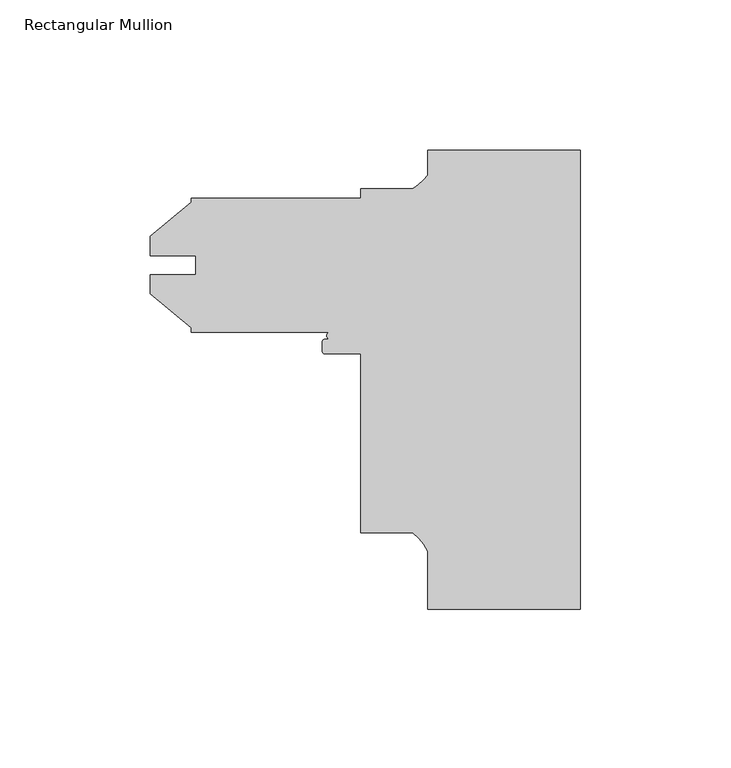
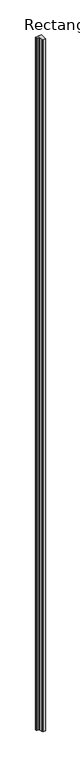
"""IFC4 building model written with IfcOpenShell, lengths in millimetres: member geometry, Rectangular Mullion."""

import ifcopenshell
import ifcopenshell.guid

model = None  # the IFC model being written
_history = None  # IfcOwnerHistory: only IFC2X3 demands one
_inside = {}  # id of a spatial element -> (the spatial element, [elements in it])
_under = {}  # id of a project, library or spatial element -> (it, [spatial elements below it])
_declared = {}  # id of a project -> (the project, [libraries it declares])
_typed = {}  # id of a type object -> (the type object, [elements of that type])
_made_of = {}  # id of a material, layer set ... -> (it, [elements and type objects made of it])


def new_model(schema):
    """Start an empty IFC model of exactly this schema.

    Asked for "IFC4X3", IfcOpenShell would pick the latest addendum, in which some entities
    have other attributes; the version numbers below select the first issue.
    IFC2X3 requires an IfcOwnerHistory on every rooted entity: one is made here for all.
    """
    global model, _history
    if schema == "IFC4X3":
        model = ifcopenshell.file(schema_version=(4, 3, 0, 0))
    else:
        model = ifcopenshell.file(schema=schema)
    _inside.clear()
    _under.clear()
    _declared.clear()
    _typed.clear()
    _made_of.clear()
    _history = None
    if model.schema == "IFC2X3":
        org = make("IfcOrganization", Name="unknown")
        user = make(
            "IfcPersonAndOrganization",
            ThePerson=make("IfcPerson", FamilyName="unknown"),
            TheOrganization=org,
        )
        app = make(
            "IfcApplication",
            ApplicationDeveloper=org,
            Version="unknown",
            ApplicationFullName="unknown",
            ApplicationIdentifier="unknown",
        )
        _history = make(
            "IfcOwnerHistory",
            OwningUser=user,
            OwningApplication=app,
            ChangeAction="ADDED",
            CreationDate=0,
        )
    return model


def make(cls, **values):
    """One entity of the class cls with the attributes given. An attribute that is None is left unset."""
    return model.create_entity(
        cls, **{name: value for name, value in values.items() if value is not None}
    )


def rooted(cls, **values):
    """An entity with a GlobalId (a new one), such as an element, a storey or a relation."""
    return make(cls, GlobalId=ifcopenshell.guid.new(), OwnerHistory=_history, **values)


def si_unit(unit_type, name, prefix=None):
    """IfcSIUnit, for example si_unit("LENGTHUNIT", "METRE", prefix="MILLI")."""
    return make("IfcSIUnit", UnitType=unit_type, Prefix=prefix, Name=name)


def assignment(units):
    """IfcUnitAssignment: the units of a project."""
    return None if units is None else make("IfcUnitAssignment", Units=units)


def point(xyz):
    """IfcCartesianPoint."""
    return None if xyz is None else make("IfcCartesianPoint", Coordinates=xyz)


def direction(xyz):
    """IfcDirection."""
    return None if xyz is None else make("IfcDirection", DirectionRatios=xyz)


def frame(location, z_axis=None, x_axis=None):
    """IfcAxis2Placement3D, a coordinate frame: its origin and axes. An axis left out is left unset."""
    return make(
        "IfcAxis2Placement3D",
        Location=point(location),
        Axis=direction(z_axis),
        RefDirection=direction(x_axis),
    )


def origin():
    """The frame at (0, 0, 0) with its axes left unset."""
    return frame((0.0, 0.0, 0.0))


def place(relative_to, where):
    """IfcLocalPlacement: puts the frame where relative to a parent placement (None: the world)."""
    return make(
        "IfcLocalPlacement", PlacementRelTo=relative_to, RelativePlacement=where
    )


def context(
    kind, dimensions, precision=None, world=None, true_north=None, identifier=None
):
    """IfcGeometricRepresentationContext, for example the 3D "Model" context."""
    return make(
        "IfcGeometricRepresentationContext",
        ContextIdentifier=identifier,
        ContextType=kind,
        CoordinateSpaceDimension=dimensions,
        Precision=precision,
        WorldCoordinateSystem=world,
        TrueNorth=true_north,
    )


def project(units=None, contexts=None):
    """IfcProject with its units and contexts."""
    return rooted(
        "IfcProject",
        Name="project",
        RepresentationContexts=contexts,
        UnitsInContext=assignment(units),
    )


def spatial(cls, under=None, at=None, **own):
    """A site, building, storey or space (cls), placed at a placement, below another one or the project."""
    s = rooted(cls, ObjectPlacement=at, **own)
    if under is not None:
        _under.setdefault(under.id(), (under, []))[1].append(s)
    return s


def polyline(points):
    """IfcPolyline through the points."""
    return make("IfcPolyline", Points=[point(p) for p in points])


def circle_curve(where, radius):
    """IfcCircle in the frame where."""
    return make("IfcCircle", Position=where, Radius=radius)


def shape(context_of_items, identifier, shape_type, items):
    """IfcShapeRepresentation: the items that make up one representation, for example the "Body"."""
    return make(
        "IfcShapeRepresentation",
        ContextOfItems=context_of_items,
        RepresentationIdentifier=identifier,
        RepresentationType=shape_type,
        Items=items,
    )


def source(mapping_origin, context_of_items, identifier, shape_type, items):
    """IfcRepresentationMap: a shape defined once, which mapped items show again and again."""
    return make(
        "IfcRepresentationMap",
        MappingOrigin=mapping_origin,
        MappedRepresentation=shape(context_of_items, identifier, shape_type, items),
    )


def transform(
    local_origin,
    x_axis=None,
    y_axis=None,
    z_axis=None,
    scale=None,
    scale2=None,
    scale3=None,
    uniform=True,
):
    """IfcCartesianTransformationOperator3D, or its non-uniform kind. x_axis, y_axis, z_axis: its Axis1, 2, 3."""
    if uniform:
        return make(
            "IfcCartesianTransformationOperator3D",
            Axis1=direction(x_axis),
            Axis2=direction(y_axis),
            LocalOrigin=point(local_origin),
            Scale=scale,
            Axis3=direction(z_axis),
        )
    return make(
        "IfcCartesianTransformationOperator3DnonUniform",
        Axis1=direction(x_axis),
        Axis2=direction(y_axis),
        LocalOrigin=point(local_origin),
        Scale=scale,
        Axis3=direction(z_axis),
        Scale2=scale2,
        Scale3=scale3,
    )


def mapped(mapping_source, mapping_target):
    """IfcMappedItem: shows the shape of a source again, moved by a transform."""
    return make(
        "IfcMappedItem", MappingSource=mapping_source, MappingTarget=mapping_target
    )


def made_of(thing, what):
    """Note that an element or type object is made of a material, layer set ...; save() writes the relation."""
    if what is not None:
        _made_of.setdefault(what.id(), (what, []))[1].append(thing)
    return thing


def element(
    cls,
    number,
    at=None,
    inside=None,
    cuts=None,
    type_object=None,
    material=None,
    context=None,
    identifier="Body",
    shape_type=None,
    held_by="IfcProductDefinitionShape",
    body=None,
    shapes=None,
    **own,
):
    """One element of the class cls, such as IfcWall. Its Tag is "e" and its number.

    at: its placement. inside: the storey or other place that contains it. cuts: it is an
    opening in that element (IfcRelVoidsElement). A single representation is given by context,
    identifier, shape_type and body (its items); several are given by shapes. held_by: the class
    of the entity that holds the representations. save() writes the other relations.
    """
    e = rooted(cls, Tag="e%d" % number, ObjectPlacement=at, **own)
    if body is not None:
        shapes = [shape(context, identifier, shape_type, body)]
    if shapes is not None:
        e.Representation = make(held_by, Representations=shapes)
    if inside is not None:
        _inside.setdefault(inside.id(), (inside, []))[1].append(e)
    if cuts is not None:
        rooted(
            "IfcRelVoidsElement", RelatingBuildingElement=cuts, RelatedOpeningElement=e
        )
    if type_object is not None:
        _typed.setdefault(type_object.id(), (type_object, []))[1].append(e)
    return made_of(e, material)


def aggregate(whole, parts):
    """IfcRelAggregates: a whole, such as a stair, and the parts it consists of."""
    return rooted("IfcRelAggregates", RelatingObject=whole, RelatedObjects=parts)


def save(model, path):
    """Write the relations noted so far, then the file.

    IfcRelAggregates (storeys below a building ...), IfcRelContainedInSpatialStructure (elements
    in a storey), IfcRelDefinesByType, IfcRelAssociatesMaterial and IfcRelDeclares: one each for
    every whole, place, type object, material and project.
    """
    for whole, parts in _under.values():
        aggregate(whole, parts)
    for where, things in _inside.values():
        rooted(
            "IfcRelContainedInSpatialStructure",
            RelatedElements=things,
            RelatingStructure=where,
        )
    for kind, things in _typed.values():
        rooted("IfcRelDefinesByType", RelatedObjects=things, RelatingType=kind)
    for what, things in _made_of.values():
        rooted("IfcRelAssociatesMaterial", RelatedObjects=things, RelatingMaterial=what)
    for by, libraries in _declared.values():
        rooted("IfcRelDeclares", RelatingContext=by, RelatedDefinitions=libraries)
    model.write(path)


def plane_surface(at):
    """IfcPlane: the flat surface through the origin of the frame at, square to its z axis."""
    return make("IfcPlane", Position=at)


def cylinder_surface(at, radius):
    """IfcCylindricalSurface: all points at the distance radius from the z axis of the frame at."""
    return make("IfcCylindricalSurface", Position=at, Radius=radius)


def revolved_surface(curve, axis_point, axis_direction):
    """IfcSurfaceOfRevolution: the curve turned about the line through axis_point along axis_direction."""
    return make(
        "IfcSurfaceOfRevolution",
        SweptCurve=make("IfcArbitraryOpenProfileDef", ProfileType="CURVE", Curve=curve),
        AxisPosition=make("IfcAxis1Placement", Location=point(axis_point), Axis=direction(axis_direction)),
    )


def advanced_brep(points, edges, surfaces, faces):
    """IfcAdvancedBrep: a solid bounded by faces that lie on surfaces and meet in shared edges.

    An edge is (start, end): straight between two places in points (the first is 0);
    or (start, end, curve); or (start, end, curve, False) where it runs against its curve.
    A face is (place in surfaces, loops), or (place, loops, False) where it looks against
    its surface's normal. A loop lists edges by number (the first is 1), with a minus sign
    where the edge is run from its end to its start. The first loop is the outer one.
    """
    corners = [point(p) for p in points]
    vertices = [make("IfcVertexPoint", VertexGeometry=c) for c in corners]
    made = []
    for start, end, *more in edges:
        made.append(
            make(
                "IfcEdgeCurve",
                EdgeStart=vertices[start],
                EdgeEnd=vertices[end],
                EdgeGeometry=more[0] if more else make("IfcPolyline", Points=[corners[start], corners[end]]),
                SameSense=more[1] if len(more) > 1 else True,
            )
        )
    hull = []
    for where, loops, *sense in faces:
        bounds = []
        for j, loop in enumerate(loops):
            ring = [make("IfcOrientedEdge", EdgeElement=made[abs(k) - 1], Orientation=k > 0) for k in loop]
            bounds.append(
                make(
                    "IfcFaceOuterBound" if j == 0 else "IfcFaceBound",
                    Bound=make("IfcEdgeLoop", EdgeList=ring),
                    Orientation=True,
                )
            )
        hull.append(make("IfcAdvancedFace", Bounds=bounds, FaceSurface=surfaces[where], SameSense=sense[0] if sense else True))
    return make("IfcAdvancedBrep", Outer=make("IfcClosedShell", CfsFaces=hull))


def rectangular_mullion_b2fc0ec5(model_context):
    return source(origin(), model_context, "Body", "AdvancedBrep", [
        advanced_brep(
        [(-50.8, -152.4, 0.0), (0.0, -152.4, 0.0), (0.0, 0.0, 0.0), (-50.8, 0.0, 0.0), (-50.8, -8.1515407, 0.0), (-55.7723352, -12.7, 0.0), (-73.0249898, -12.7, 0.0), (-73.0249898, -15.875, 0.0), (-129.3812398, -15.875, 0.0), (-129.3812398, -17.2691667, 0.0), (-142.8432398, -28.565126, 0.0), (-142.8432398, -34.9353979, 0.0), (-127.8064398, -34.9353979, 0.0), (-127.8064398, -41.2595221, 0.0), (-142.8432398, -41.2595221, 0.0), (-142.8432398, -47.629794, 0.0), (-129.3812398, -58.9257533, 0.0), (-129.3812398, -60.325, 0.0), (-83.0829084, -60.325, 0.0), (-83.2058757, -62.762055, 0.0), (-84.9375898, -62.762055, 0.0), (-85.7249898, -63.549455, 0.0), (-85.7249898, -66.749855, 0.0), (-84.9375898, -67.537255, 0.0), (-73.0249898, -67.537255, 0.0), (-73.0249898, -127.0, 0.0), (-55.6934749, -127.0, 0.0), (-50.8, -133.2282223, 0.0), (-50.8, -152.4, -15837.0064664), (-50.8, -133.2282223, -15837.0064664), (-55.6934749, -127.0, -15837.0064664), (-73.0249898, -127.0, -15837.0064664), (-73.0249898, -67.537255, -15837.0064664), (-84.9375898, -67.537255, -15837.0064664), (-85.7249898, -66.749855, -15837.0064664), (-85.7249898, -63.549455, -15837.0064664), (-84.9375898, -62.762055, -15837.0064664), (-83.2058757, -62.762055, -15837.0064664), (-83.0829084, -60.380805, -15837.0064664), (-129.3812398, -60.325, -15837.0064664), (-129.3812398, -58.9257533, -15837.0064664), (-142.8432398, -47.629794, -15837.0064664), (-142.8432398, -41.2595221, -15837.0064664), (-127.8064398, -41.2595221, -15837.0064664), (-127.8064398, -34.9353979, -15837.0064664), (-142.8432398, -34.9353979, -15837.0064664), (-142.8432398, -28.565126, -15837.0064664), (-129.3812398, -17.2691667, -15837.0064664), (-129.3812398, -15.875, -15837.0064664), (-73.0249898, -15.875, -15837.0064664), (-73.0249898, -12.7, -15837.0064664), (-55.7723352, -12.7, -15837.0064664), (-50.8, -8.1515407, -15837.0064664), (-50.8, 0.0, -15837.0064664), (0.0, 0.0, -15837.0064664), (0.0, -152.4, -15837.0064664)],
        [
            (0, 1),
            (1, 2),
            (2, 3),
            (3, 4),
            (4, 5, circle_curve(frame((-62.7094364, -0.1243368, 0.0), z_axis=(0.0, 0.0, -1.0), x_axis=(-1.0, 0.0, 0.0)), 14.3621265)),
            (5, 6),
            (6, 7),
            (7, 8),
            (8, 9),
            (9, 10),
            (10, 11),
            (11, 12),
            (12, 13),
            (13, 14),
            (14, 15),
            (15, 16),
            (16, 17),
            (17, 18),
            (18, 19, circle_curve(frame((-83.0829084, -61.574605, 0.0), z_axis=(0.0, 0.0, 1.0), x_axis=(-1.0, 0.0, 0.0)), 1.1938)),
            (19, 20),
            (20, 21, circle_curve(frame((-84.9375898, -63.549455, 0.0), z_axis=(0.0, 0.0, 1.0), x_axis=(-1.0, 0.0, 0.0)), 0.7874)),
            (21, 22),
            (22, 23, circle_curve(frame((-84.9375898, -66.749855, 0.0), z_axis=(0.0, 0.0, 1.0), x_axis=(-1.0, 0.0, 0.0)), 0.7874)),
            (23, 24),
            (24, 25),
            (25, 26),
            (26, 27, circle_curve(frame((-64.9144522, -139.281361, 0.0), z_axis=(0.0, 0.0, -1.0), x_axis=(-1.0, 0.0, 0.0)), 15.3576772)),
            (27, 0),
            (28, 29),
            (29, 30, circle_curve(frame((-64.9144522, -139.281361, -15837.0064664), z_axis=(0.0, 0.0, 1.0), x_axis=(-1.0, 0.0, 0.0)), 15.3576772)),
            (30, 31),
            (31, 32),
            (32, 33),
            (33, 34, circle_curve(frame((-84.9375898, -66.749855, -15837.0064664), z_axis=(0.0, 0.0, -1.0), x_axis=(-1.0, 0.0, 0.0)), 0.7874)),
            (34, 35),
            (35, 36, circle_curve(frame((-84.9375898, -63.549455, -15837.0064664), z_axis=(0.0, 0.0, -1.0), x_axis=(-1.0, 0.0, 0.0)), 0.7874)),
            (36, 37),
            (37, 38, circle_curve(frame((-83.0829084, -61.574605, -15837.0064664), z_axis=(0.0, 0.0, -1.0), x_axis=(-1.0, 0.0, 0.0)), 1.1938)),
            (38, 39),
            (39, 40),
            (40, 41),
            (41, 42),
            (42, 43),
            (43, 44),
            (44, 45),
            (45, 46),
            (46, 47),
            (47, 48),
            (48, 49),
            (49, 50),
            (50, 51),
            (51, 52, circle_curve(frame((-62.7094364, -0.1243368, -15837.0064664), z_axis=(0.0, 0.0, 1.0), x_axis=(-1.0, 0.0, 0.0)), 14.3621265)),
            (52, 53),
            (53, 54),
            (54, 55),
            (55, 28),
            (0, 28),
            (55, 1),
            (54, 2),
            (53, 3),
            (52, 4),
            (51, 5),
            (50, 6),
            (49, 7),
            (48, 8),
            (47, 9),
            (46, 10),
            (45, 11),
            (44, 12),
            (43, 13),
            (42, 14),
            (41, 15),
            (40, 16),
            (39, 17),
            (38, 18),
            (37, 19),
            (36, 20),
            (35, 21),
            (34, 22),
            (33, 23),
            (32, 24),
            (31, 25),
            (30, 26),
            (29, 27),
        ],
        [
            plane_surface(frame((0.0, -160.6437051, 0.0), z_axis=(0.0, 0.0, 1.0), x_axis=(-1.0, 0.0, 0.0))),
            plane_surface(frame((0.0, -160.6437051, -15837.0064664), z_axis=(0.0, 0.0, -1.0), x_axis=(-1.0, 0.0, 0.0))),
            plane_surface(frame((-50.8, -152.4, 0.0), z_axis=(0.0, -1.0, 0.0), x_axis=(0.0, 0.0, -1.0))),
            plane_surface(frame((0.0, -152.4, 0.0), z_axis=(1.0, 0.0, 0.0), x_axis=(0.0, 0.0, -1.0))),
            plane_surface(frame((0.0, 0.0, 0.0), z_axis=(0.0, 1.0, 0.0), x_axis=(0.0, 0.0, -1.0))),
            plane_surface(frame((-50.8, 0.0, 0.0), z_axis=(-1.0, 0.0, 0.0), x_axis=(0.0, 0.0, -1.0))),
            revolved_surface(polyline([(-77.0715629, -0.1243368, -15837.0064664), (-77.0715629, -0.1243368, 0.0)]), (-62.7094364, -0.1243368, 0.0), (0.0, 0.0, -1.0)),
            plane_surface(frame((-55.7723352, -12.7, 0.0), z_axis=(0.0, 1.0, 0.0), x_axis=(0.0, 0.0, -1.0))),
            plane_surface(frame((-73.0249898, -12.7, 0.0), z_axis=(-1.0, 0.0, 0.0), x_axis=(0.0, 0.0, -1.0))),
            plane_surface(frame((-73.0249898, -15.875, 0.0), z_axis=(0.0, 1.0, 0.0), x_axis=(0.0, 0.0, -1.0))),
            plane_surface(frame((-129.3812398, -15.875, 0.0), z_axis=(-1.0, 0.0, 0.0), x_axis=(0.0, 0.0, -1.0))),
            plane_surface(frame((-129.3812398, -17.2691667, 0.0), z_axis=(-0.6427876096865458, 0.7660444431189727, 0.0), x_axis=(0.0, 0.0, -1.0))),
            plane_surface(frame((-142.8432398, -28.565126, 0.0), z_axis=(-1.0, 0.0, 0.0), x_axis=(0.0, 0.0, -1.0))),
            plane_surface(frame((-142.8432398, -34.9353979, 0.0), z_axis=(0.0, -1.0, 0.0), x_axis=(0.0, 0.0, -1.0))),
            plane_surface(frame((-127.8064398, -34.9353979, 0.0), z_axis=(-1.0, 0.0, 0.0), x_axis=(0.0, 0.0, -1.0))),
            plane_surface(frame((-127.8064398, -41.2595221, 0.0), z_axis=(0.0, 1.0, 0.0), x_axis=(0.0, 0.0, -1.0))),
            plane_surface(frame((-142.8432398, -41.2595221, 0.0), z_axis=(-1.0, 0.0, 0.0), x_axis=(0.0, 0.0, -1.0))),
            plane_surface(frame((-142.8432398, -47.629794, 0.0), z_axis=(-0.6427876096865424, -0.7660444431189755, 0.0), x_axis=(0.0, 0.0, -1.0))),
            plane_surface(frame((-129.3812398, -58.9257533, 0.0), z_axis=(-1.0, 0.0, 0.0), x_axis=(0.0, 0.0, -1.0))),
            plane_surface(frame((-129.3812398, -60.325, 0.0), z_axis=(0.0, -1.0, 0.0), x_axis=(0.0, 0.0, -1.0))),
            cylinder_surface(frame((-83.0829084, -61.574605, 0.0), z_axis=(0.0, 0.0, 1.0), x_axis=(-1.0, 0.0, 0.0)), 1.1938),
            plane_surface(frame((-83.2058757, -62.762055, 0.0), z_axis=(0.0, 1.0, 0.0), x_axis=(0.0, 0.0, -1.0))),
            cylinder_surface(frame((-84.9375898, -63.549455, 0.0), z_axis=(0.0, 0.0, 1.0), x_axis=(-1.0, 0.0, 0.0)), 0.7874),
            plane_surface(frame((-85.7249898, -63.549455, 0.0), z_axis=(-1.0, 0.0, 0.0), x_axis=(0.0, 0.0, -1.0))),
            cylinder_surface(frame((-84.9375898, -66.749855, 0.0), z_axis=(0.0, 0.0, 1.0), x_axis=(-1.0, 0.0, 0.0)), 0.7874),
            plane_surface(frame((-84.9375898, -67.537255, 0.0), z_axis=(0.0, -1.0, 0.0), x_axis=(0.0, 0.0, -1.0))),
            plane_surface(frame((-73.0249898, -67.537255, 0.0), z_axis=(-1.0, 0.0, 0.0), x_axis=(0.0, 0.0, -1.0))),
            plane_surface(frame((-73.0249898, -127.0, 0.0), z_axis=(0.0, -1.0, 0.0), x_axis=(0.0, 0.0, -1.0))),
            revolved_surface(polyline([(-80.2721294, -139.281361, -15837.0064664), (-80.2721294, -139.281361, 0.0)]), (-64.9144522, -139.281361, 0.0), (0.0, 0.0, -1.0)),
            plane_surface(frame((-50.8, -133.2282223, 0.0), z_axis=(-1.0, 0.0, 0.0), x_axis=(0.0, 0.0, -1.0))),
        ],
        [
            (0, [[1, 2, 3, 4, 5, 6, 7, 8, 9, 10, 11, 12, 13, 14, 15, 16, 17, 18, 19, 20, 21, 22, 23, 24, 25, 26, 27, 28]]),
            (1, [[29, 30, 31, 32, 33, 34, 35, 36, 37, 38, 39, 40, 41, 42, 43, 44, 45, 46, 47, 48, 49, 50, 51, 52, 53, 54, 55, 56]]),
            (2, [[-1, 57, -56, 58]]),
            (3, [[-2, -58, -55, 59]]),
            (4, [[-3, -59, -54, 60]]),
            (5, [[-4, -60, -53, 61]]),
            (6, [[-5, -61, -52, 62]]),
            (7, [[-6, -62, -51, 63]]),
            (8, [[-7, -63, -50, 64]]),
            (9, [[-8, -64, -49, 65]]),
            (10, [[-9, -65, -48, 66]]),
            (11, [[-10, -66, -47, 67]]),
            (12, [[-11, -67, -46, 68]]),
            (13, [[-12, -68, -45, 69]]),
            (14, [[-13, -69, -44, 70]]),
            (15, [[-14, -70, -43, 71]]),
            (16, [[-15, -71, -42, 72]]),
            (17, [[-16, -72, -41, 73]]),
            (18, [[-17, -73, -40, 74]]),
            (19, [[-18, -74, -39, 75]]),
            (20, [[-19, -75, -38, 76]]),
            (21, [[-20, -76, -37, 77]]),
            (22, [[-21, -77, -36, 78]]),
            (23, [[-22, -78, -35, 79]]),
            (24, [[-23, -79, -34, 80]]),
            (25, [[-24, -80, -33, 81]]),
            (26, [[-25, -81, -32, 82]]),
            (27, [[-26, -82, -31, 83]]),
            (28, [[-27, -83, -30, 84]]),
            (29, [[-28, -84, -29, -57]]),
        ],
    ),
    ])


if __name__ == "__main__":
    model = new_model("IFC4")
    model_context = context("Model", 3, world=origin())
    ifc_project = project(units=[si_unit("LENGTHUNIT", "METRE", prefix="MILLI")], contexts=[model_context])
    site = spatial("IfcSite", under=ifc_project)
    building = spatial("IfcBuilding", under=site)
    placement = place(None, origin())
    rectangular_mullion_shape = rectangular_mullion_b2fc0ec5(model_context)
    element("IfcMember", 1, ObjectType="Rectangular Mullion", at=placement, inside=building, context=model_context, shape_type="MappedRepresentation", body=[
        mapped(rectangular_mullion_shape, transform((0.0, 0.0, 0.0), x_axis=(1.0, 0.0, 0.0), y_axis=(0.0, 1.0, 0.0), z_axis=(0.0, 0.0, 1.0))),
    ])
    save(model, "model.ifc")
